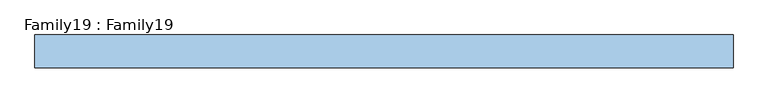
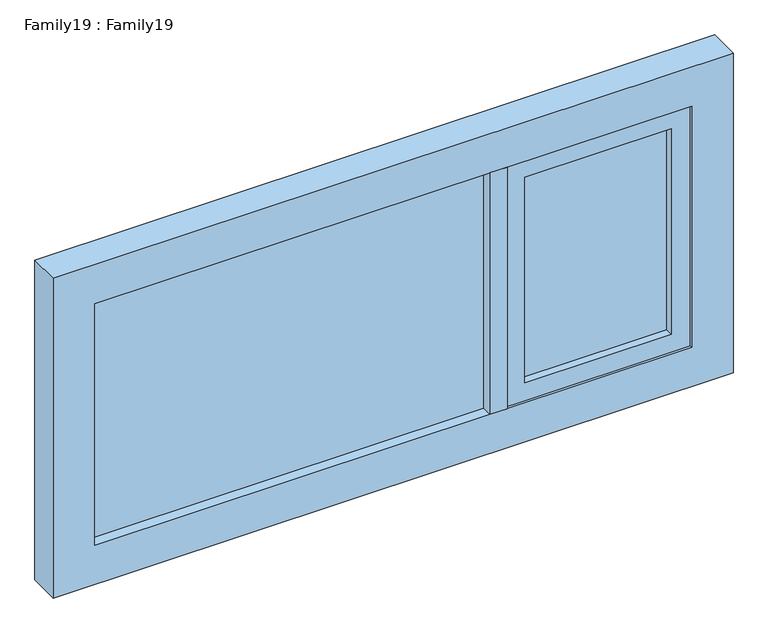
"""IFC4 building model written with IfcOpenShell, lengths in millimetres: window geometry, Family19 : Family19."""

from ifc_helpers import new_model, si_unit, frame, origin, place, context, project, spatial, polyline, outline, extrude, source, transform, mapped, element, save


def family19_family19_c6376899(model_context):
    return source(origin(), model_context, "Body", "SweptSolid", [
        extrude(outline(polyline([(736.0, -14.0), (350.0, -14.0), (350.0, -10.0), (736.0, -10.0), (736.0, -14.0)])), frame((0.0, 0.0, 959.0), z_axis=(0.0, 0.0, 1.0), x_axis=(1.0, 0.0, 0.0)), (0.0, 0.0, 1.0), 572.0),
        extrude(outline(polyline([(350.0, 14.0), (736.0, 14.0), (736.0, 10.0), (350.0, 10.0), (350.0, 14.0)])), frame((0.0, 0.0, 959.0), z_axis=(0.0, 0.0, 1.0), x_axis=(1.0, 0.0, 0.0)), (0.0, 0.0, 1.0), 572.0),
        extrude(outline(polyline([(253.8050141, -14.0), (-786.0, -14.0), (-786.0, -10.0), (253.8050141, -10.0), (253.8050141, -14.0)])), frame((0.0, 0.0, 909.0), z_axis=(0.0, 0.0, 1.0), x_axis=(1.0, 0.0, 0.0)), (0.0, 0.0, 1.0), 672.0),
        extrude(outline(polyline([(-786.0, 14.0), (253.8050141, 14.0), (253.8050141, 10.0), (-786.0, 10.0), (-786.0, 14.0)])), frame((0.0, 0.0, 909.0), z_axis=(0.0, 0.0, 1.0), x_axis=(1.0, 0.0, 0.0)), (0.0, 0.0, 1.0), 672.0),
        extrude(outline(polyline([(300.0, 42.0), (300.0, -42.0), (253.8050141, -42.0), (253.8050141, 42.0), (300.0, 42.0)])), frame((0.0, 0.0, 909.0), z_axis=(0.0, 0.0, 1.0), x_axis=(1.0, 0.0, 0.0)), (0.0, 0.0, 1.0), 672.0),
        extrude(outline(polyline([(1581.0, 786.0), (1581.0, 302.866818), (909.0, 302.866818), (909.0, 786.0), (1581.0, 786.0)]), holes=[polyline([(959.0, 350.0), (1531.0, 350.0), (1531.0, 736.0), (959.0, 736.0), (959.0, 350.0)])]), frame((0.0, -34.9035994, 0.0), z_axis=(0.0, 1.0, 0.0), x_axis=(0.0, 0.0, 1.0)), (0.0, 0.0, 1.0), 70.4146297),
        extrude(outline(polyline([(1690.0, 895.0), (1690.0, -895.0), (800.0, -895.0), (800.0, 895.0), (1690.0, 895.0)]), holes=[polyline([(909.0, 786.0), (909.0, -786.0), (1581.0, -786.0), (1581.0, 786.0), (909.0, 786.0)])]), frame((0.0, -42.0, 0.0), z_axis=(0.0, 1.0, 0.0), x_axis=(0.0, 0.0, 1.0)), (0.0, 0.0, 1.0), 84.0),
    ])


if __name__ == "__main__":
    model = new_model("IFC4")
    model_context = context("Model", 3, world=origin())
    ifc_project = project(units=[si_unit("LENGTHUNIT", "METRE", prefix="MILLI")], contexts=[model_context])
    site = spatial("IfcSite", under=ifc_project)
    building = spatial("IfcBuilding", under=site)
    placement = place(None, origin())
    family19_family19_shape = family19_family19_c6376899(model_context)
    element("IfcWindow", 1, ObjectType="Family19 : Family19", at=placement, inside=building, context=model_context, shape_type="MappedRepresentation", body=[
        mapped(family19_family19_shape, transform((0.0, 0.0, 0.0), x_axis=(1.0, 0.0, 0.0), y_axis=(0.0, 1.0, 0.0), z_axis=(0.0, 0.0, 1.0))),
    ])
    save(model, "model.ifc")
